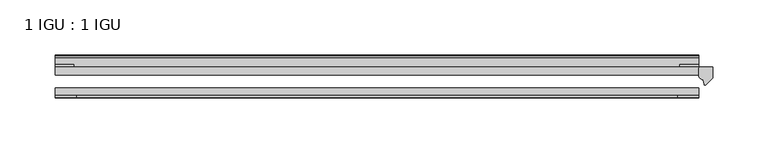
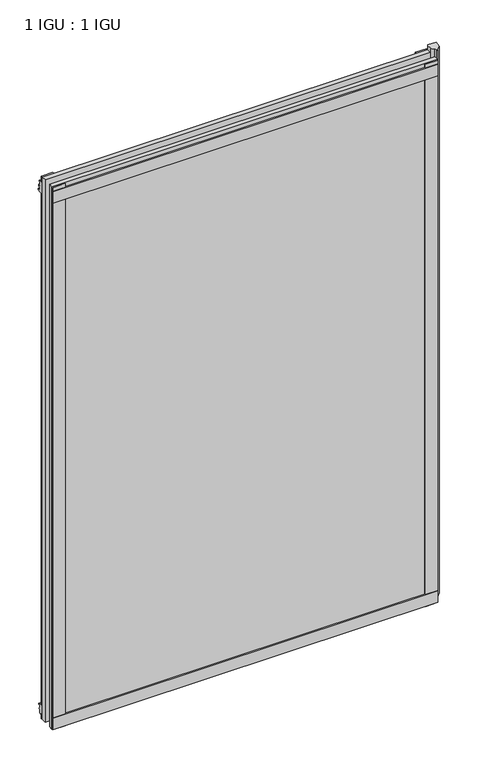
"""IFC4 building model written with IfcOpenShell, lengths in millimetres: plate geometry, 1 IGU : 1 IGU."""

from ifc_helpers import new_model, si_unit, point, frame, frame_2d, origin, place, context, project, spatial, polyline, circle_curve, trimmed, segment, composite_curve, outline, extrude, source, transform, mapped, element, save


def plate_1_igu_1_igu_e4216c5b(model_context):
    return source(origin(), model_context, "Body", "SweptSolid", [
        extrude(outline(polyline([(292.1, -11.6085937), (292.1, -18.8576359), (-292.1, -18.8576359), (-292.1, -11.6085937), (292.1, -11.6085937)])), frame((0.0, 0.0, -19.05), z_axis=(0.0, 0.0, 1.0), x_axis=(1.0, 0.0, 0.0)), (0.0, 0.0, 1.0), 869.9499998),
        extrude(outline(polyline([(-292.1, -30.7093937), (292.1, -30.7093937), (292.1, -37.0085937), (-292.1, -37.0085937), (-292.1, -30.7093937)])), frame((0.0, 0.0, -19.05), z_axis=(0.0, 0.0, 1.0), x_axis=(1.0, 0.0, 0.0)), (0.0, 0.0, 1.0), 869.9499998),
        extrude(outline(composite_curve([segment(polyline([(305.1779091, -11.6101465), (304.8, -21.3502133), (298.8619467, -27.6095865)]), True, "CONTINUOUS"), segment(trimmed(circle_curve(frame_2d((298.1891407, -27.2518492)), 0.762), [point((298.8619467, -27.6095865))], [point((297.4604364, -27.4746364))], False, "CARTESIAN"), True, "CONTINUOUS"), segment(polyline([(297.4604364, -27.4746364), (296.1986019, -23.3488397)]), True, "CONTINUOUS"), segment(trimmed(circle_curve(frame_2d((298.380559, -16.3834724)), 7.2991286), [point((296.1986019, -23.3488397))], [point((292.1001786, -20.1028944))], False, "CARTESIAN"), True, "CONTINUOUS"), segment(polyline([(292.1001786, -20.1028944), (292.1001786, -12.664425)]), True, "CONTINUOUS"), segment(trimmed(circle_curve(frame_2d((298.3814331, -16.3827796)), 7.2993369), [point((292.1001786, -12.664425))], [point((292.858545, -11.6101465))], False, "CARTESIAN"), True, "CONTINUOUS"), segment(polyline([(292.858545, -11.6101465), (305.1779091, -11.6101465)]), True, "CONTINUOUS")], self_intersect=False)), frame((0.0, 0.0, -19.05), z_axis=(0.0, 0.0, 1.0), x_axis=(1.0, 0.0, 0.0)), (0.0, 0.0, 1.0), 877.0873998),
        extrude(outline(polyline([(-292.1, -39.2945937), (-292.1, -37.0085937), (292.1, -37.0085937), (292.1, -39.2945937), (-292.1, -39.2945937)])), frame((0.0, 0.0, -19.05), z_axis=(0.0, 0.0, 1.0), x_axis=(1.0, 0.0, 0.0)), (0.0, 0.0, 1.0), 19.05),
        extrude(outline(composite_curve([segment(trimmed(circle_curve(frame_2d((-2.5575611, 32.8538976)), 31.3272753), [point((-11.6085937, 2.8626158))], [point((-2.2024699, 1.5286348))], True, "CARTESIAN"), True, "CONTINUOUS"), segment(polyline([(-2.2024699, 1.5286348), (-2.2024699, 0.0), (-5.2585937, 0.0), (-5.2585937, -5.2345509), (-3.3544944, -5.5797863), (-5.2585937, -8.255), (-5.2585937, -11.471876)]), True, "CONTINUOUS"), segment(trimmed(circle_curve(frame_2d((-6.5285937, -11.471876)), 1.27), [point((-5.2585937, -11.471876))], [point((-7.4547667, -12.340843))], False, "CARTESIAN"), True, "CONTINUOUS"), segment(polyline([(-7.4547667, -12.340843), (-11.6085937, -7.9135609), (-11.6085937, 2.8626158)]), True, "CONTINUOUS")], self_intersect=False)), frame((-292.1, 0.0, 0.0), z_axis=(1.0, 0.0, 0.0), x_axis=(0.0, 1.0, 0.0)), (0.0, 0.0, 1.0), 584.2),
        extrude(outline(composite_curve([segment(polyline([(-3.0995937, 840.8194211), (-3.0995937, 838.7874211), (-5.2585937, 838.7874211), (-5.2585937, 833.4534211), (-1.5755937, 833.4534211), (-1.5755937, 830.4054211), (-5.2585937, 830.4054211), (-5.2585937, 825.5794211), (-0.5298657, 826.2440005), (-0.4061408, 825.3636522)]), True, "CONTINUOUS"), segment(trimmed(circle_curve(frame_2d((-1.4122531, 825.2222523)), 1.016), [point((-0.4061408, 825.3636522))], [point((-1.2708533, 824.21614))], False, "CARTESIAN"), True, "CONTINUOUS"), segment(polyline([(-1.2708533, 824.21614), (-11.6085937, 822.7632653), (-11.6085937, 840.8194211), (-3.0995937, 840.8194211)]), True, "CONTINUOUS")], self_intersect=False)), frame((-292.1, 0.0, 0.0), z_axis=(1.0, 0.0, 0.0), x_axis=(0.0, 1.0, 0.0)), (0.0, 0.0, 1.0), 584.2),
        extrude(outline(polyline([(-292.1, -39.2945937), (-292.1, -37.0085937), (292.1, -37.0085937), (292.1, -39.2945937), (-292.1, -39.2945937)])), frame((0.0, 0.0, 825.4999998), z_axis=(0.0, 0.0, 1.0), x_axis=(1.0, 0.0, 0.0)), (0.0, 0.0, 1.0), 19.05),
        extrude(outline(polyline([(273.05, -37.0085937), (292.1, -37.0085937), (292.1, -39.2945938), (273.05, -39.2945938), (273.05, -37.0085937)])), frame((0.0, 0.0, -19.05), z_axis=(0.0, 0.0, 1.0), x_axis=(1.0, 0.0, 0.0)), (0.0, 0.0, 1.0), 869.9499998),
        extrude(outline(polyline([(292.1, -9.3247196), (292.1, -11.6085937), (275.0185, -11.6085937), (275.0185, -9.3247196), (292.1, -9.3247196)])), frame((0.0, 0.0, -19.05), z_axis=(0.0, 0.0, 1.0), x_axis=(1.0, 0.0, 0.0)), (0.0, 0.0, 1.0), 869.9499998),
        extrude(outline(polyline([(-292.1, -39.2945937), (-292.1, -37.0085937), (-273.05, -37.0085937), (-273.05, -39.2945937), (-292.1, -39.2945937)])), frame((0.0, 0.0, -19.05), z_axis=(0.0, 0.0, 1.0), x_axis=(1.0, 0.0, 0.0)), (0.0, 0.0, 1.0), 869.9499998),
        extrude(outline(polyline([(-292.1, -11.6107196), (-292.1, -9.2273437), (-275.0185, -9.2273437), (-275.0185, -11.6107196), (-292.1, -11.6107196)])), frame((0.0, 0.0, -19.05), z_axis=(0.0, 0.0, 1.0), x_axis=(1.0, 0.0, 0.0)), (0.0, 0.0, 1.0), 869.9499998),
    ])


if __name__ == "__main__":
    model = new_model("IFC4")
    model_context = context("Model", 3, world=origin())
    ifc_project = project(units=[si_unit("LENGTHUNIT", "METRE", prefix="MILLI")], contexts=[model_context])
    site = spatial("IfcSite", under=ifc_project)
    building = spatial("IfcBuilding", under=site)
    placement = place(None, origin())
    plate_1_igu_1_igu_shape = plate_1_igu_1_igu_e4216c5b(model_context)
    element("IfcPlate", 1, ObjectType="1 IGU : 1 IGU", at=placement, inside=building, context=model_context, shape_type="MappedRepresentation", body=[
        mapped(plate_1_igu_1_igu_shape, transform((0.0, 0.0, 0.0), x_axis=(1.0, 0.0, 0.0), y_axis=(0.0, 1.0, 0.0), z_axis=(0.0, 0.0, 1.0))),
    ])
    save(model, "model.ifc")
